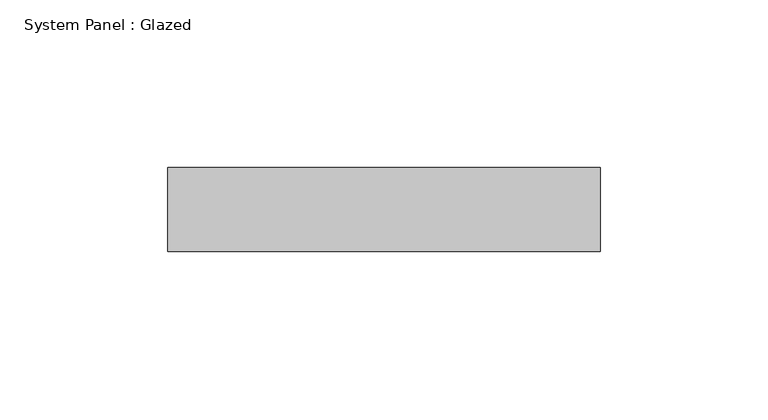
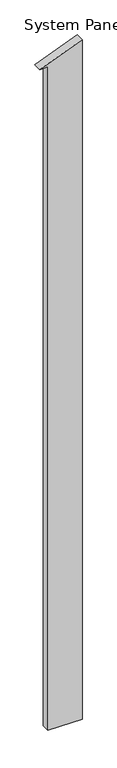
"""IFC4 building model written with IfcOpenShell, lengths in millimetres: plate geometry, System Panel : Glazed."""

from ifc_helpers import new_model, si_unit, frame, origin, place, context, project, spatial, polyline, outline, extrude, source, transform, mapped, element, save


def system_panel_glazed_8af4e6b4(model_context):
    return source(origin(), model_context, "Body", "SweptSolid", [
        extrude(outline(polyline([(0.0, -39.5), (0.0, 64.5), (2184.7288135, 64.5), (2133.3474575, -64.5), (2133.3474575, -39.5), (0.0, -39.5)])), frame((0.0, 24.5, 0.0), z_axis=(0.0, 1.0, 0.0), x_axis=(0.0, 0.0, 1.0)), (0.0, 0.0, 1.0), 25.0),
    ])


if __name__ == "__main__":
    model = new_model("IFC4")
    model_context = context("Model", 3, world=origin())
    ifc_project = project(units=[si_unit("LENGTHUNIT", "METRE", prefix="MILLI")], contexts=[model_context])
    site = spatial("IfcSite", under=ifc_project)
    building = spatial("IfcBuilding", under=site)
    placement = place(None, origin())
    system_panel_glazed_shape = system_panel_glazed_8af4e6b4(model_context)
    element("IfcPlate", 1, ObjectType="System Panel : Glazed", at=placement, inside=building, context=model_context, shape_type="MappedRepresentation", body=[
        mapped(system_panel_glazed_shape, transform((0.0, 0.0, 0.0), x_axis=(1.0, 0.0, 0.0), y_axis=(0.0, 1.0, 0.0), z_axis=(0.0, 0.0, 1.0))),
    ])
    save(model, "model.ifc")
